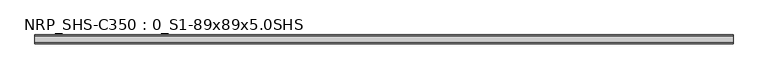
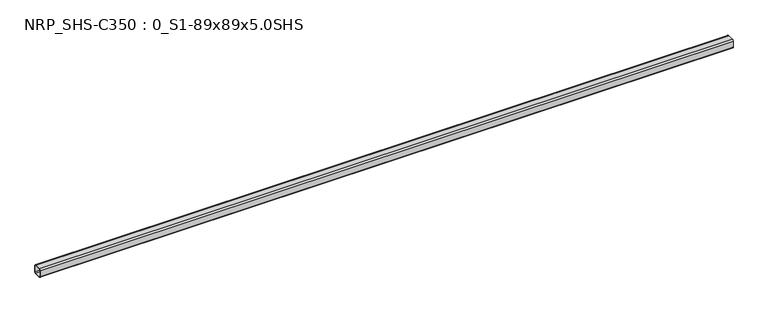
"""IFC4 building model written with IfcOpenShell, lengths in millimetres: beam geometry, NRP_SHS-C350 : 0_S1-89x89x5.0SHS."""

from ifc_helpers import new_model, si_unit, point, frame, frame_2d, origin, place, context, project, spatial, polyline, circle_curve, trimmed, segment, composite_curve, outline, extrude, source, transform, mapped, element, save


def nrp_shs_c350_0_s1_89x89x5_0shs_ed26788a(model_context):
    return source(origin(), model_context, "Body", "SweptSolid", [
        extrude(outline(composite_curve([segment(trimmed(circle_curve(frame_2d((-32.0, 32.0)), 12.5), [point((-44.5, 32.0))], [point((-32.0, 44.5))], False, "CARTESIAN"), True, "CONTINUOUS"), segment(polyline([(-32.0, 44.5), (32.0, 44.5)]), True, "CONTINUOUS"), segment(trimmed(circle_curve(frame_2d((32.0, 32.0)), 12.5), [point((32.0, 44.5))], [point((44.5, 32.0))], False, "CARTESIAN"), True, "CONTINUOUS"), segment(polyline([(44.5, 32.0), (44.5, -32.0)]), True, "CONTINUOUS"), segment(trimmed(circle_curve(frame_2d((32.0, -32.0)), 12.5), [point((44.5, -32.0))], [point((32.0, -44.5))], False, "CARTESIAN"), True, "CONTINUOUS"), segment(polyline([(32.0, -44.5), (-32.0, -44.5)]), True, "CONTINUOUS"), segment(trimmed(circle_curve(frame_2d((-32.0, -32.0)), 12.5), [point((-32.0, -44.5))], [point((-44.5, -32.0))], False, "CARTESIAN"), True, "CONTINUOUS"), segment(polyline([(-44.5, -32.0), (-44.5, 32.0)]), True, "CONTINUOUS")], self_intersect=False), holes=[composite_curve([segment(polyline([(32.0, 39.5), (-32.0, 39.5)]), True, "CONTINUOUS"), segment(trimmed(circle_curve(frame_2d((-32.0, 32.0)), 7.5), [point((-32.0, 39.5))], [point((-39.5, 32.0))], True, "CARTESIAN"), True, "CONTINUOUS"), segment(polyline([(-39.5, 32.0), (-39.5, -32.0)]), True, "CONTINUOUS"), segment(trimmed(circle_curve(frame_2d((-32.0, -32.0)), 7.5), [point((-39.5, -32.0))], [point((-32.0, -39.5))], True, "CARTESIAN"), True, "CONTINUOUS"), segment(polyline([(-32.0, -39.5), (32.0, -39.5)]), True, "CONTINUOUS"), segment(trimmed(circle_curve(frame_2d((32.0, -32.0)), 7.5), [point((32.0, -39.5))], [point((39.5, -32.0))], True, "CARTESIAN"), True, "CONTINUOUS"), segment(polyline([(39.5, -32.0), (39.5, 32.0)]), True, "CONTINUOUS"), segment(trimmed(circle_curve(frame_2d((32.0, 32.0)), 7.5), [point((39.5, 32.0))], [point((32.0, 39.5))], True, "CARTESIAN"), True, "CONTINUOUS")], self_intersect=False)]), frame((-3459.5, 0.0, 0.0), z_axis=(1.0, 0.0, 0.0), x_axis=(0.0, 1.0, 0.0)), (0.0, 0.0, 1.0), 6957.0),
    ])


if __name__ == "__main__":
    model = new_model("IFC4")
    model_context = context("Model", 3, world=origin())
    ifc_project = project(units=[si_unit("LENGTHUNIT", "METRE", prefix="MILLI")], contexts=[model_context])
    site = spatial("IfcSite", under=ifc_project)
    building = spatial("IfcBuilding", under=site)
    placement = place(None, origin())
    nrp_shs_c350_0_s1_89x89x5_0shs_shape = nrp_shs_c350_0_s1_89x89x5_0shs_ed26788a(model_context)
    element("IfcBeam", 1, ObjectType="NRP_SHS-C350 : 0_S1-89x89x5.0SHS", at=placement, inside=building, context=model_context, shape_type="MappedRepresentation", body=[
        mapped(nrp_shs_c350_0_s1_89x89x5_0shs_shape, transform((0.0, 0.0, 0.0), x_axis=(1.0, 0.0, 0.0), y_axis=(0.0, 1.0, 0.0), z_axis=(0.0, 0.0, 1.0))),
    ])
    save(model, "model.ifc")
